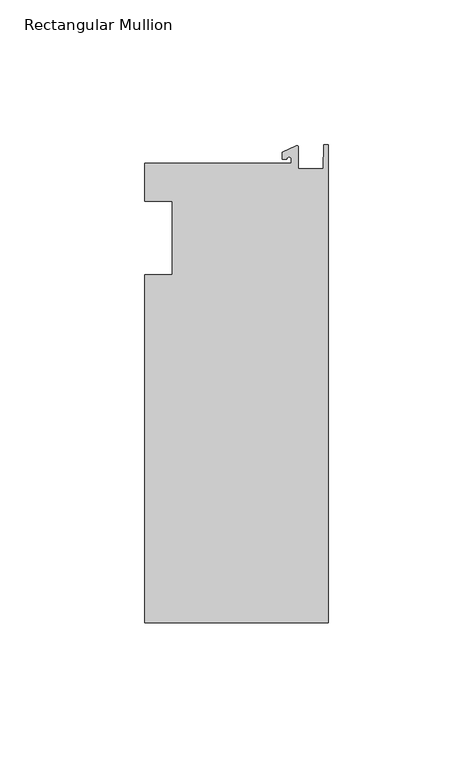
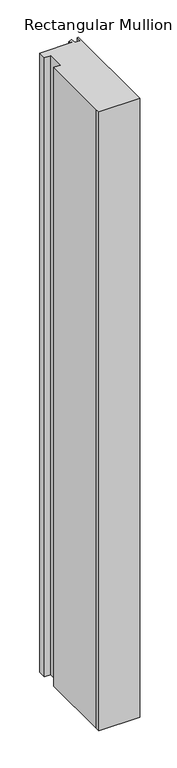
"""IFC4 building model written with IfcOpenShell, lengths in millimetres: member geometry, Rectangular Mullion."""

from ifc_helpers import new_model, si_unit, point, frame, frame_2d, origin, place, context, project, spatial, polyline, circle_curve, trimmed, segment, composite_curve, outline, extrude, source, transform, mapped, element, save


def rectangular_mullion_b2641d85(model_context):
    return source(origin(), model_context, "Body", "SweptSolid", [
        extrude(outline(composite_curve([segment(polyline([(-12.6979967, 25.796875), (-12.6979967, 27.2067741)]), True, "CONTINUOUS"), segment(trimmed(circle_curve(frame_2d((-13.4917467, 27.2067741)), 0.79375), [point((-12.6979967, 27.2067741))], [point((-14.2854967, 27.2067741))], True, "CARTESIAN"), True, "CONTINUOUS"), segment(polyline([(-14.2854967, 27.2067741), (-15.8729967, 27.2067741), (-15.8729967, 29.5689734), (-11.0330867, 31.8258605)]), True, "CONTINUOUS"), segment(trimmed(circle_curve(frame_2d((-10.8183967, 31.3654561)), 0.508), [point((-11.0330867, 31.8258605))], [point((-10.3103967, 31.3654561))], False, "CARTESIAN"), True, "CONTINUOUS"), segment(polyline([(-10.3103967, 31.3654561), (-10.3103967, 23.9227662), (-1.7144124, 23.9227662), (-1.5658966, 32.288874), (0.0, 32.288874), (0.0, -133.2272736), (-63.5, -133.2272736), (-63.5, -125.4797866), (-63.5, -12.7), (-53.975, -12.7), (-53.975, 12.7), (-63.5, 12.7), (-63.5, 25.796875), (-12.6979967, 25.796875)]), True, "CONTINUOUS")], self_intersect=False)), frame((0.0, 0.0, -1016.0), z_axis=(0.0, 0.0, 1.0), x_axis=(1.0, 0.0, 0.0)), (0.0, 0.0, 1.0), 1016.0),
    ])


if __name__ == "__main__":
    model = new_model("IFC4")
    model_context = context("Model", 3, world=origin())
    ifc_project = project(units=[si_unit("LENGTHUNIT", "METRE", prefix="MILLI")], contexts=[model_context])
    site = spatial("IfcSite", under=ifc_project)
    building = spatial("IfcBuilding", under=site)
    placement = place(None, origin())
    rectangular_mullion_shape = rectangular_mullion_b2641d85(model_context)
    element("IfcMember", 1, ObjectType="Rectangular Mullion", at=placement, inside=building, context=model_context, shape_type="MappedRepresentation", body=[
        mapped(rectangular_mullion_shape, transform((0.0, 0.0, 0.0), x_axis=(1.0, 0.0, 0.0), y_axis=(0.0, 1.0, 0.0), z_axis=(0.0, 0.0, 1.0))),
    ])
    save(model, "model.ifc")
